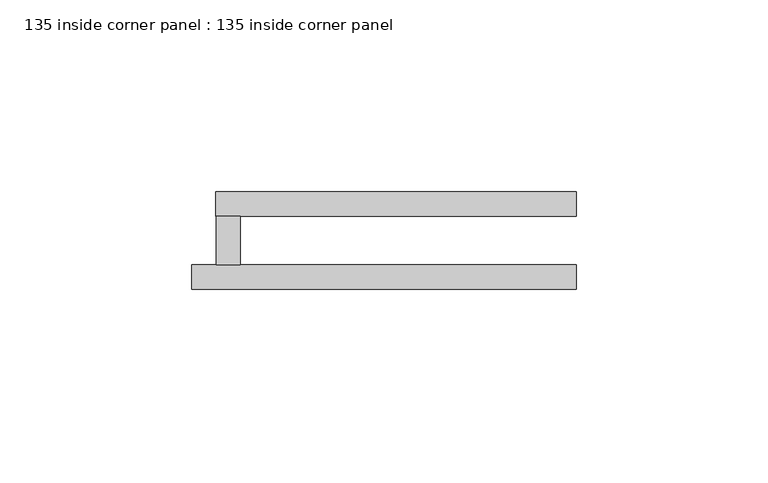
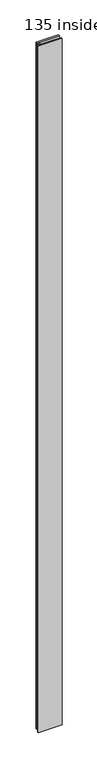
"""IFC4 building model written with IfcOpenShell, lengths in millimetres: plate geometry, 135 inside corner panel : 135 inside corner panel."""

from ifc_helpers import new_model, si_unit, origin, origin_with_axes, place, context, project, spatial, polyline, outline, extrude, source, transform, mapped, element, save


def plate_135_inside_corner_panel_135_inside_corner_panel_203d25c5(model_context):
    return source(origin(), model_context, "Body", "SweptSolid", [
        extrude(outline(polyline([(12.7, -19.05), (6.35, -19.05), (6.35, -6.35), (12.7, -6.35), (12.7, -19.05)])), origin_with_axes(), (0.0, 0.0, 1.0), 3048.0),
        extrude(outline(polyline([(100.2452198, 0.0), (100.2452198, -6.35), (6.2749094, -6.35), (6.2749094, 0.0), (100.2452198, 0.0)])), origin_with_axes(), (0.0, 0.0, 1.0), 3048.0),
        extrude(outline(polyline([(100.2452198, -19.05), (100.2452198, -25.4), (0.0, -25.4), (0.0, -19.05), (100.2452198, -19.05)])), origin_with_axes(), (0.0, 0.0, 1.0), 3048.0),
    ])


if __name__ == "__main__":
    model = new_model("IFC4")
    model_context = context("Model", 3, world=origin())
    ifc_project = project(units=[si_unit("LENGTHUNIT", "METRE", prefix="MILLI")], contexts=[model_context])
    site = spatial("IfcSite", under=ifc_project)
    building = spatial("IfcBuilding", under=site)
    placement = place(None, origin())
    plate_135_inside_corner_panel_135_inside_corner_panel_shape = plate_135_inside_corner_panel_135_inside_corner_panel_203d25c5(model_context)
    element("IfcPlate", 1, ObjectType="135 inside corner panel : 135 inside corner panel", at=placement, inside=building, context=model_context, shape_type="MappedRepresentation", body=[
        mapped(plate_135_inside_corner_panel_135_inside_corner_panel_shape, transform((0.0, 0.0, 0.0), x_axis=(1.0, 0.0, 0.0), y_axis=(0.0, 1.0, 0.0), z_axis=(0.0, 0.0, 1.0))),
    ])
    save(model, "model.ifc")
